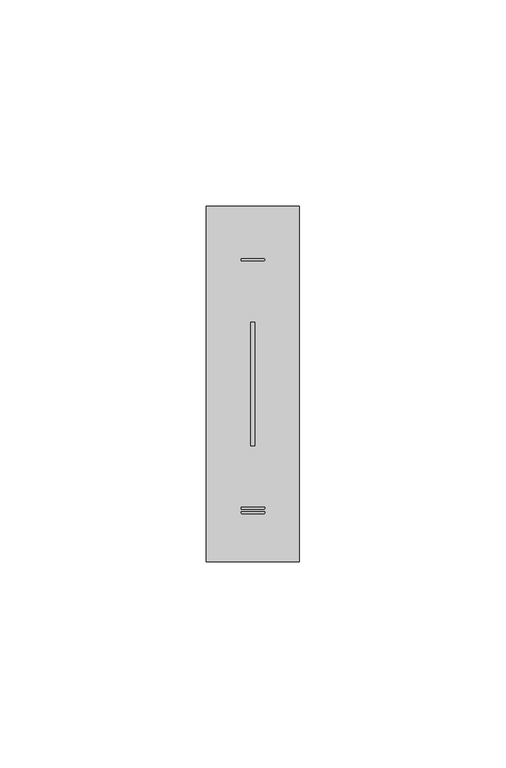
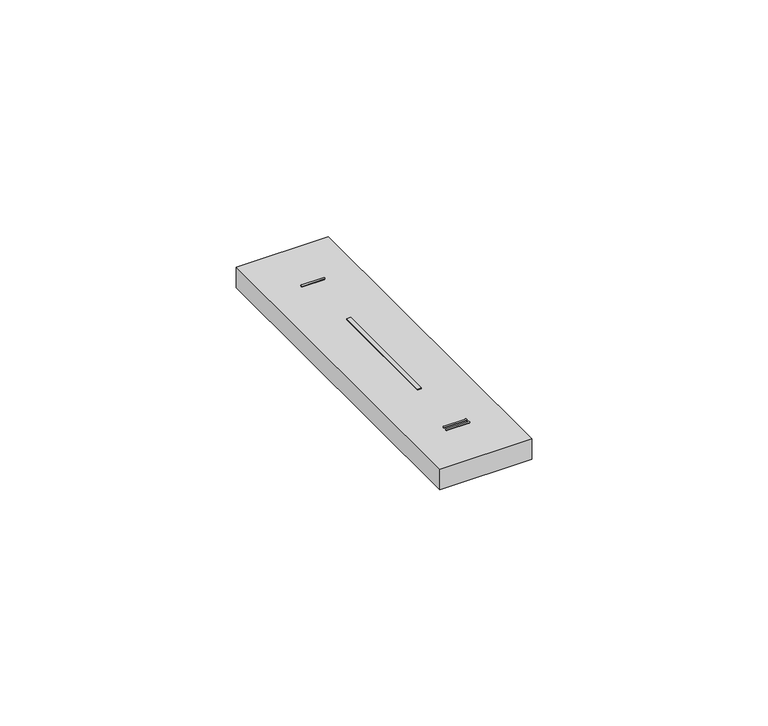
"""IFC4 building model written with IfcOpenShell, lengths in millimetres: proxy geometry."""

from ifc_helpers import new_model, si_unit, point, frame, frame_2d, origin, place, context, project, spatial, polyline, circle_curve, trimmed, segment, composite_curve, outline, extrude, source, transform, mapped, element, save


def electrical_fixtures_50f67b1e(model_context):
    return source(origin(), model_context, "Body", "SweptSolid", [
        extrude(outline(composite_curve([segment(polyline([(8.6216743, 73.3261218), (13.8783298, 73.3261218)]), True, "CONTINUOUS"), segment(trimmed(circle_curve(frame_2d((13.8783298, 73.0767698)), 0.249352), [point((13.8783298, 73.3261218))], [point((13.8783298, 72.8274179))], False, "CARTESIAN"), True, "CONTINUOUS"), segment(polyline([(13.8783298, 72.8274179), (8.6216743, 72.8274179)]), True, "CONTINUOUS"), segment(trimmed(circle_curve(frame_2d((8.6216743, 73.0767698)), 0.249352), [point((8.6216743, 72.8274179))], [point((8.6216743, 73.3261218))], False, "CARTESIAN"), True, "CONTINUOUS")], self_intersect=False)), frame((0.0, 0.0, 10.7), z_axis=(0.0, 0.0, 1.0), x_axis=(1.0, 0.0, 0.0)), (0.0, 0.0, 1.0), 0.1652311),
        extrude(outline(composite_curve([segment(trimmed(circle_curve(frame_2d((8.6216743, 12.9232302)), 0.249352), [point((8.6216743, 12.6738782))], [point((8.6216743, 13.1725821))], False, "CARTESIAN"), True, "CONTINUOUS"), segment(polyline([(8.6216743, 13.1725821), (13.8783298, 13.1725821)]), True, "CONTINUOUS"), segment(trimmed(circle_curve(frame_2d((13.8783298, 12.9232302)), 0.249352), [point((13.8783298, 13.1725821))], [point((13.8783298, 12.6738782))], False, "CARTESIAN"), True, "CONTINUOUS"), segment(polyline([(13.8783298, 12.6738782), (8.6216743, 12.6738782)]), True, "CONTINUOUS")], self_intersect=False)), frame((0.0, 0.0, 10.7), z_axis=(0.0, 0.0, 1.0), x_axis=(1.0, 0.0, 0.0)), (0.0, 0.0, 1.0), 0.1652311),
        extrude(outline(composite_curve([segment(trimmed(circle_curve(frame_2d((8.6216743, 11.8579106)), 0.249352), [point((8.6216743, 11.6085586))], [point((8.6216743, 12.1072626))], False, "CARTESIAN"), True, "CONTINUOUS"), segment(polyline([(8.6216743, 12.1072626), (13.8783298, 12.1072626)]), True, "CONTINUOUS"), segment(trimmed(circle_curve(frame_2d((13.8783298, 11.8579106)), 0.249352), [point((13.8783298, 12.1072626))], [point((13.8783298, 11.6085586))], False, "CARTESIAN"), True, "CONTINUOUS"), segment(polyline([(13.8783298, 11.6085586), (8.6216743, 11.6085586)]), True, "CONTINUOUS")], self_intersect=False)), frame((0.0, 0.0, 10.7), z_axis=(0.0, 0.0, 1.0), x_axis=(1.0, 0.0, 0.0)), (0.0, 0.0, 1.0), 0.1652311),
        extrude(outline(polyline([(10.75, 58.0), (11.75, 58.0), (11.75, 28.0), (10.75, 28.0), (10.75, 58.0)])), frame((0.0, 0.0, 5.5), z_axis=(0.0, 0.0, 1.0), x_axis=(1.0, 0.0, 0.0)), (0.0, 0.0, 1.0), 5.2),
        extrude(outline(polyline([(0.0, 0.0), (0.0, 86.0), (22.5, 86.0), (22.5, 0.0), (0.0, 0.0)]), holes=[polyline([(10.75, 58.0), (10.75, 28.0), (11.75, 28.0), (11.75, 58.0), (10.75, 58.0)])]), frame((0.0, 0.0, 5.5), z_axis=(0.0, 0.0, 1.0), x_axis=(1.0, 0.0, 0.0)), (0.0, 0.0, 1.0), 5.2),
    ])


if __name__ == "__main__":
    model = new_model("IFC4")
    model_context = context("Model", 3, world=origin())
    ifc_project = project(units=[si_unit("LENGTHUNIT", "METRE", prefix="MILLI")], contexts=[model_context])
    site = spatial("IfcSite", under=ifc_project)
    building = spatial("IfcBuilding", under=site)
    placement = place(None, origin())
    electrical_fixtures_shape = electrical_fixtures_50f67b1e(model_context)
    element("IfcBuildingElementProxy", 1, Name="Electrical Fixtures", at=placement, inside=building, context=model_context, shape_type="MappedRepresentation", body=[
        mapped(electrical_fixtures_shape, transform((0.0, 0.0, 0.0), x_axis=(1.0, 0.0, 0.0), y_axis=(0.0, 1.0, 0.0), z_axis=(0.0, 0.0, 1.0))),
    ])
    save(model, "model.ifc")
